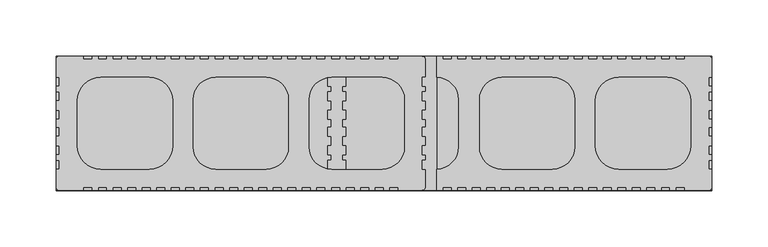
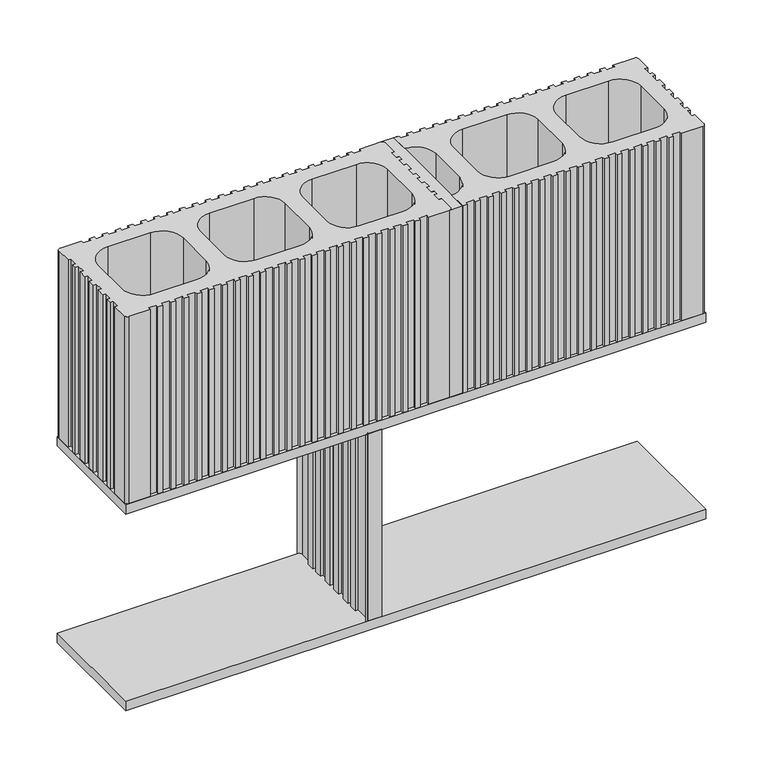
"""IFC4 building model written with IfcOpenShell, lengths in millimetres: plate geometry."""

from ifc_helpers import new_model, si_unit, point, frame, frame_2d, origin, place, context, project, spatial, polyline, circle_curve, trimmed, segment, composite_curve, outline, extrude, source, transform, mapped, element, save
from ifc_brep_helpers import plane_surface, revolved_surface, advanced_brep


def plate_25ba194d(model_context):
    return source(origin(), model_context, "Body", "SolidModel", [
        extrude(outline(composite_curve([segment(polyline([(311.0011936, 60.0004053), (332.5012625, 60.0004053)]), True, "CONTINUOUS"), segment(trimmed(circle_curve(frame_2d((332.5012625, 57.0003956)), 3.0000097), [point((332.5012625, 60.0004053))], [point((335.5012722, 57.0003956))], False, "CARTESIAN"), True, "CONTINUOUS"), segment(polyline([(335.5012722, 57.0003956), (335.5012722, 41.0003445), (332.5012625, 41.0003445), (332.5012625, 33.0003173), (335.5012722, 33.0003173), (335.5012722, 28.0003003), (332.5012625, 28.0003003), (332.5012625, 20.0002769), (335.5012722, 20.0002769), (335.5012722, 11.5002471), (332.5012625, 11.5002471), (332.5012625, 3.5002236), (335.5012722, 3.5002236), (335.5012722, -3.499802), (332.5012625, -3.499802), (332.5012625, -11.4998292), (335.5012722, -11.4998292), (335.5012722, -19.9998515), (332.5012625, -19.9998515), (332.5012625, -27.9998787), (335.5012722, -27.9998787), (335.5012722, -32.9998976), (332.5012625, -32.9998976), (332.5012625, -40.9999247), (335.5012722, -40.9999247), (335.5012722, -56.9999748)]), True, "CONTINUOUS"), segment(trimmed(circle_curve(frame_2d((332.5012671, -56.9999748)), 3.0000051), [point((335.5012722, -56.9999748))], [point((332.5012671, -59.9999799))], False, "CARTESIAN"), True, "CONTINUOUS"), segment(polyline([(332.5012671, -59.9999799), (311.0011936, -59.9999799), (311.0011936, -56.9999702), (303.0011683, -56.9999702), (303.0011683, -59.9999799), (298.0011495, -59.9999799), (298.0011495, -56.9999702), (290.0011261, -56.9999702), (290.0011261, -59.9999799), (285.0011072, -59.9999799), (285.0011072, -56.9999702), (277.0010838, -56.9999702), (277.0010838, -59.9999799), (272.0010649, -59.9999799), (272.0010649, -56.9999702), (264.0010377, -56.9999702), (264.0010377, -59.9999799), (259.0010264, -59.9999799), (259.0010264, -56.9999702), (251.0009992, -56.9999702), (251.0009992, -59.9999799), (246.0009803, -59.9999799), (246.0009803, -56.9999702), (238.0009606, -56.9999702), (238.0009606, -59.9999799), (233.0009418, -59.9999799), (233.0009418, -56.9999702), (225.0009146, -56.9999702), (225.0009146, -59.9999799), (220.0008958, -59.9999799), (220.0008958, -56.9999702), (212.000876, -56.9999702), (212.000876, -59.9999799), (207.0008572, -59.9999799), (207.0008572, -56.9999702), (199.00083, -56.9999702), (199.00083, -59.9999799), (194.0008186, -59.9999799), (194.0008186, -56.9999702), (186.0007915, -56.9999702), (186.0007915, -59.9999799), (181.0007801, -59.9999799), (181.0007801, -56.9999702), (173.0007529, -56.9999702), (173.0007529, -59.9999799), (168.0007266, -59.9999799), (168.0007266, -56.9999702), (160.0006994, -56.9999702), (160.0006994, -59.9999799), (155.000688, -59.9999799), (155.000688, -56.9999702), (147.0006609, -56.9999702), (147.0006609, -59.9999799), (142.0006495, -59.9999799), (142.0006495, -56.9999702), (134.0006223, -56.9999702), (134.0006223, -59.9999799), (129.0006109, -59.9999799), (129.0006109, -56.9999702), (121.0005838, -56.9999702), (121.0005838, -59.9999799), (116.0005575, -59.9999799), (116.0005575, -56.9999702), (108.0005303, -56.9999702), (108.0005303, -59.9999799), (103.0005189, -59.9999799), (103.0005189, -56.9999702), (95.0004917, -56.9999702), (95.0004917, -59.9999799), (90.0004803, -59.9999799), (90.0004803, -40.993729)]), True, "CONTINUOUS"), segment(trimmed(circle_curve(frame_2d((89.5004798, -20.9999152)), 20.0000648), [point((90.0004803, -40.993729))], [point((109.5005445, -20.9999152))], True, "CARTESIAN"), True, "CONTINUOUS"), segment(polyline([(109.5005445, -20.9999152), (109.5005445, 21.0003405)]), True, "CONTINUOUS"), segment(trimmed(circle_curve(frame_2d((89.5004798, 21.0003405)), 20.0000648), [point((109.5005445, 21.0003405))], [point((90.0004803, 40.9941543))], True, "CARTESIAN"), True, "CONTINUOUS"), segment(polyline([(90.0004803, 40.9941543), (90.0004803, 60.0004053), (95.0004917, 60.0004053), (95.0004917, 57.0003955), (103.0005189, 57.0003955), (103.0005189, 60.0004053), (108.0005303, 60.0004053), (108.0005303, 57.0003955), (116.0005575, 57.0003955), (116.0005575, 60.0004053), (121.0005838, 60.0004053), (121.0005838, 57.0003955), (129.0006109, 57.0003955), (129.0006109, 60.0004053), (134.0006223, 60.0004053), (134.0006223, 57.0003955), (142.0006495, 57.0003955), (142.0006495, 60.0004053), (147.0006609, 60.0004053), (147.0006609, 57.0003955), (155.000688, 57.0003955), (155.000688, 60.0004053), (160.0006994, 60.0004053), (160.0006994, 57.0003955), (168.0007266, 57.0003955), (168.0007266, 60.0004053), (173.0007529, 60.0004053), (173.0007529, 57.0003955), (181.0007801, 57.0003955), (181.0007801, 60.0004053), (186.0007915, 60.0004053), (186.0007915, 57.0003955), (194.0008186, 57.0003955), (194.0008186, 60.0004053), (199.00083, 60.0004053), (199.00083, 57.0003955), (207.0008572, 57.0003955), (207.0008572, 60.0004053), (212.000876, 60.0004053), (212.000876, 57.0003955), (220.0008958, 57.0003955), (220.0008958, 60.0004053), (225.0009146, 60.0004053), (225.0009146, 57.0003955), (233.0009418, 57.0003955), (233.0009418, 60.0004053), (238.0009606, 60.0004053), (238.0009606, 57.0003955), (246.0009803, 57.0003955), (246.0009803, 60.0004053), (251.0009992, 60.0004053), (251.0009992, 57.0003955), (259.0010264, 57.0003955), (259.0010264, 60.0004053), (264.0010377, 60.0004053), (264.0010377, 57.0003955), (272.0010649, 57.0003955), (272.0010649, 60.0004053), (277.0010838, 60.0004053), (277.0010838, 57.0003955), (285.0011072, 57.0003955), (285.0011072, 60.0004053), (290.0011261, 60.0004053), (290.0011261, 57.0003955), (298.0011495, 57.0003955), (298.0011495, 60.0004053), (303.0011683, 60.0004053), (303.0011683, 57.0003955), (311.0011936, 57.0003955), (311.0011936, 60.0004053)]), True, "CONTINUOUS")], self_intersect=False), holes=[composite_curve([segment(trimmed(circle_curve(frame_2d((295.5012722, 20.0004053)), 21.0), [point((316.5012722, 20.0004053))], [point((295.5012722, 41.0004053))], True, "CARTESIAN"), True, "CONTINUOUS"), segment(polyline([(295.5012722, 41.0004053), (252.5009201, 41.0004053)]), True, "CONTINUOUS"), segment(trimmed(circle_curve(frame_2d((252.5009201, 20.0004053)), 21.0), [point((252.5009201, 41.0004053))], [point((231.5009201, 20.0004053))], True, "CARTESIAN"), True, "CONTINUOUS"), segment(polyline([(231.5009201, 20.0004053), (231.5009201, -19.9999799)]), True, "CONTINUOUS"), segment(trimmed(circle_curve(frame_2d((252.5009201, -19.9999799)), 21.0), [point((231.5009201, -19.9999799))], [point((252.5009201, -40.9999799))], True, "CARTESIAN"), True, "CONTINUOUS"), segment(polyline([(252.5009201, -40.9999799), (295.5012722, -40.9999799)]), True, "CONTINUOUS"), segment(trimmed(circle_curve(frame_2d((295.5012722, -19.9999799)), 21.0), [point((295.5012722, -40.9999799))], [point((316.5012722, -19.9999799))], True, "CARTESIAN"), True, "CONTINUOUS"), segment(polyline([(316.5012722, -19.9999799), (316.5012722, 20.0004053)]), True, "CONTINUOUS")], self_intersect=False), composite_curve([segment(trimmed(circle_curve(frame_2d((193.0008473, 21.0003405)), 20.0000648), [point((213.0009121, 21.0003405))], [point((193.0008473, 41.0004053))], True, "CARTESIAN"), True, "CONTINUOUS"), segment(polyline([(193.0008473, 41.0004053), (148.0006247, 41.0004053)]), True, "CONTINUOUS"), segment(trimmed(circle_curve(frame_2d((148.0006247, 21.0003405)), 20.0000648), [point((148.0006247, 41.0004053))], [point((128.00056, 21.0003405))], True, "CARTESIAN"), True, "CONTINUOUS"), segment(polyline([(128.00056, 21.0003405), (128.00056, -20.9999152)]), True, "CONTINUOUS"), segment(trimmed(circle_curve(frame_2d((148.0006247, -20.9999152)), 20.0000648), [point((128.00056, -20.9999152))], [point((148.0006247, -40.9999799))], True, "CARTESIAN"), True, "CONTINUOUS"), segment(polyline([(148.0006247, -40.9999799), (193.0008473, -40.9999799)]), True, "CONTINUOUS"), segment(trimmed(circle_curve(frame_2d((193.0008473, -20.9999152)), 20.0000648), [point((193.0008473, -40.9999799))], [point((213.0009121, -20.9999152))], True, "CARTESIAN"), True, "CONTINUOUS"), segment(polyline([(213.0009121, -20.9999152), (213.0009121, 21.0003405)]), True, "CONTINUOUS")], self_intersect=False)]), frame((0.0, 0.0, 210.0), z_axis=(0.0, 0.0, 1.0), x_axis=(1.0, 0.0, 0.0)), (0.0, 0.0, 1.0), 200.0),
        extrude(outline(polyline([(335.499675, -59.9998788), (-249.9995197, -59.9998788), (-249.9995197, 59.9998815), (335.499675, 59.9998815), (335.499675, -59.9998788)])), frame((0.0, 0.0, -10.0), z_axis=(0.0, 0.0, 1.0), x_axis=(1.0, 0.0, 0.0)), (0.0, 0.0, 1.0), 10.0),
        advanced_brep(
        [(-4.4996846, -40.9999178, 200.0), (-4.4996846, -56.9998835, 200.0), (-7.4995723, -59.9998788, 200.0), (8.5002032, -59.9998788, 200.0), (5.5003154, -56.9998835, 200.0), (5.5003154, -40.9999178, 200.0), (8.5003304, -40.9999178, 200.0), (8.5003304, -32.9999326, 200.0), (5.5003154, -32.9999326, 200.0), (5.5003154, -28.0000895, 200.0), (8.5003304, -28.0000895, 200.0), (8.5003304, -19.9999605, 200.0), (5.5001999, -19.9999605, 200.0), (5.5001999, -11.5003509, 200.0), (8.5002096, -11.5003509, 200.0), (8.5002096, -3.5003274, 200.0), (5.5001999, -3.5003274, 200.0), (5.5001999, 3.4996982, 200.0), (8.5002096, 3.4996982, 200.0), (8.5002096, 11.4997254, 200.0), (5.5001999, 11.4997254, 200.0), (5.5001999, 19.9999578, 200.0), (8.5003304, 19.9999578, 200.0), (8.5003304, 27.999943, 200.0), (5.5003154, 27.999943, 200.0), (5.5003154, 32.9999355, 200.0), (8.5003304, 32.9999355, 200.0), (8.5003304, 40.9999207, 200.0), (5.5003154, 40.9999207, 200.0), (5.5003154, 56.9998835, 200.0), (8.5003304, 59.9998761, 200.0), (-7.4996995, 59.9998761, 200.0), (-4.4996846, 56.9998835, 200.0), (-4.4996846, 40.9999207, 200.0), (-7.4996995, 40.9999207, 200.0), (-7.4996995, 32.9999355, 200.0), (-4.4996846, 32.9999355, 200.0), (-4.4996846, 27.999943, 200.0), (-7.4996995, 27.999943, 200.0), (-7.4996995, 19.9999578, 200.0), (-4.4995633, 19.9999578, 200.0), (-4.4995633, 11.4997254, 200.0), (-7.499573, 11.4997254, 200.0), (-7.499573, 3.4996982, 200.0), (-4.4995633, 3.4996982, 200.0), (-4.4995633, -3.5003274, 200.0), (-7.499573, -3.5003274, 200.0), (-7.499573, -11.5003508, 200.0), (-4.4995633, -11.5003508, 200.0), (-4.4995633, -19.9999605, 200.0), (-7.4996995, -19.9999605, 200.0), (-7.4996995, -27.9999419, 200.0), (-4.4996846, -27.9999419, 200.0), (-4.4996846, -32.9999326, 200.0), (-7.4996995, -32.9999326, 200.0), (-7.4996995, -40.9999178, 200.0), (-4.4996846, -40.9999178, 0.0), (-7.4996995, -40.9999178, 0.0), (-7.4996995, -32.9999326, 0.0), (-4.4996846, -32.9999326, 0.0), (-4.4996846, -27.9999419, 0.0), (-7.4996995, -27.9999419, 0.0), (-7.4996995, -19.9999605, 0.0), (-4.4995633, -19.9999605, 0.0), (-4.4995633, -11.5003508, 0.0), (-7.499573, -11.5003508, 0.0), (-7.499573, -3.5003274, 0.0), (-4.4995633, -3.5003274, 0.0), (-4.4995633, 3.4996982, 0.0), (-7.499573, 3.4996982, 0.0), (-7.499573, 11.4997254, 0.0), (-4.4995633, 11.4997254, 0.0), (-4.4995633, 19.9999578, 0.0), (-7.4996995, 19.9999578, 0.0), (-7.4996995, 27.999943, 0.0), (-4.4996846, 27.999943, 0.0), (-4.4996846, 32.9999355, 0.0), (-7.4996995, 32.9999355, 0.0), (-7.4996995, 40.9999207, 0.0), (-4.4996846, 40.9999207, 0.0), (-4.4996846, 56.9998835, 0.0), (-7.4996995, 59.9998761, 0.0), (8.5003304, 59.9998761, 0.0), (5.5003154, 56.9998835, 0.0), (5.5003154, 40.9999207, 0.0), (8.5003304, 40.9999207, 0.0), (8.5003304, 32.9999355, 0.0), (5.5003154, 32.9999355, 0.0), (5.5003154, 27.999943, 0.0), (8.5003304, 27.999943, 0.0), (8.5003304, 19.9999578, 0.0), (5.5001999, 19.9999578, 0.0), (5.5001999, 11.4997254, 0.0), (8.5002096, 11.4997254, 0.0), (8.5002096, 3.4996982, 0.0), (5.5001999, 3.4996982, 0.0), (5.5001999, -3.5003274, 0.0), (8.5002096, -3.5003274, 0.0), (8.5002096, -11.5003509, 0.0), (5.5001999, -11.5003509, 0.0), (5.5001999, -19.9999605, 0.0), (8.5003304, -19.9999605, 0.0), (8.5003304, -28.0000895, 0.0), (5.5003154, -28.0000895, 0.0), (5.5003154, -32.9999326, 0.0), (8.5003304, -32.9999326, 0.0), (8.5003304, -40.9999178, 0.0), (5.5003154, -40.9999178, 0.0), (5.5003154, -56.9998835, 0.0), (8.5002032, -59.9998788, 0.0), (-7.4995723, -59.9998788, 0.0), (-4.4996846, -56.9998835, 0.0)],
        [
            (0, 1),
            (1, 2, circle_curve(frame((-7.4376524, -57.0619088, 200.0), z_axis=(0.0, 0.0, -1.0), x_axis=(1.0, 0.0, 0.0)), 2.9386225)),
            (2, 3),
            (3, 4, circle_curve(frame((8.4382833, -57.0619088, 200.0), z_axis=(0.0, 0.0, -1.0), x_axis=(1.0, 0.0, 0.0)), 2.9386225)),
            (4, 5),
            (5, 6),
            (6, 7),
            (7, 8),
            (8, 9),
            (9, 10),
            (10, 11),
            (11, 12),
            (12, 13),
            (13, 14),
            (14, 15),
            (15, 16),
            (16, 17),
            (17, 18),
            (18, 19),
            (19, 20),
            (20, 21),
            (21, 22),
            (22, 23),
            (23, 24),
            (24, 25),
            (25, 26),
            (26, 27),
            (27, 28),
            (28, 29),
            (29, 30, circle_curve(frame((8.4382833, 57.0619088, 200.0), z_axis=(0.0, 0.0, -1.0), x_axis=(1.0, 0.0, 0.0)), 2.9386225)),
            (30, 31),
            (31, 32, circle_curve(frame((-7.4376524, 57.0619088, 200.0), z_axis=(0.0, 0.0, -1.0), x_axis=(1.0, 0.0, 0.0)), 2.9386225)),
            (32, 33),
            (33, 34),
            (34, 35),
            (35, 36),
            (36, 37),
            (37, 38),
            (38, 39),
            (39, 40),
            (40, 41),
            (41, 42),
            (42, 43),
            (43, 44),
            (44, 45),
            (45, 46),
            (46, 47),
            (47, 48),
            (48, 49),
            (49, 50),
            (50, 51),
            (51, 52),
            (52, 53),
            (53, 54),
            (54, 55),
            (55, 0),
            (56, 57),
            (57, 58),
            (58, 59),
            (59, 60),
            (60, 61),
            (61, 62),
            (62, 63),
            (63, 64),
            (64, 65),
            (65, 66),
            (66, 67),
            (67, 68),
            (68, 69),
            (69, 70),
            (70, 71),
            (71, 72),
            (72, 73),
            (73, 74),
            (74, 75),
            (75, 76),
            (76, 77),
            (77, 78),
            (78, 79),
            (79, 80),
            (80, 81, circle_curve(frame((-7.4376524, 57.0619088, 0.0), z_axis=(0.0, 0.0, 1.0), x_axis=(1.0, 0.0, 0.0)), 2.9386225)),
            (81, 82),
            (82, 83, circle_curve(frame((8.4382833, 57.0619088, 0.0), z_axis=(0.0, 0.0, 1.0), x_axis=(1.0, 0.0, 0.0)), 2.9386225)),
            (83, 84),
            (84, 85),
            (85, 86),
            (86, 87),
            (87, 88),
            (88, 89),
            (89, 90),
            (90, 91),
            (91, 92),
            (92, 93),
            (93, 94),
            (94, 95),
            (95, 96),
            (96, 97),
            (97, 98),
            (98, 99),
            (99, 100),
            (100, 101),
            (101, 102),
            (102, 103),
            (103, 104),
            (104, 105),
            (105, 106),
            (106, 107),
            (107, 108),
            (108, 109, circle_curve(frame((8.4382833, -57.0619088, 0.0), z_axis=(0.0, 0.0, 1.0), x_axis=(1.0, 0.0, 0.0)), 2.9386225)),
            (109, 110),
            (110, 111, circle_curve(frame((-7.4376524, -57.0619088, 0.0), z_axis=(0.0, 0.0, 1.0), x_axis=(1.0, 0.0, 0.0)), 2.9386225)),
            (111, 56),
            (0, 56),
            (111, 1),
            (110, 2),
            (109, 3),
            (108, 4),
            (107, 5),
            (28, 84),
            (83, 29),
            (82, 30),
            (81, 31),
            (80, 32),
            (79, 33),
            (106, 6),
            (105, 7),
            (104, 8),
            (103, 9),
            (102, 10),
            (101, 11),
            (100, 12),
            (21, 91),
            (90, 22),
            (89, 23),
            (88, 24),
            (87, 25),
            (86, 26),
            (85, 27),
            (78, 34),
            (77, 35),
            (76, 36),
            (75, 37),
            (74, 38),
            (73, 39),
            (72, 40),
            (49, 63),
            (62, 50),
            (61, 51),
            (60, 52),
            (59, 53),
            (58, 54),
            (57, 55),
            (99, 13),
            (98, 14),
            (97, 15),
            (96, 16),
            (95, 17),
            (94, 18),
            (93, 19),
            (92, 20),
            (71, 41),
            (70, 42),
            (69, 43),
            (68, 44),
            (67, 45),
            (66, 46),
            (65, 47),
            (64, 48),
        ],
        [
            plane_surface(frame((-4.4996846, -56.9998835, 200.0), z_axis=(0.0, 0.0, 1.0), x_axis=(0.0, -1.0, 0.0))),
            plane_surface(frame((-4.4996846, -56.9998835, 0.0), z_axis=(0.0, 0.0, -1.0), x_axis=(0.0, 1.0, 0.0))),
            plane_surface(frame((-4.4996846, -40.9999178, 200.0), z_axis=(-1.0, 0.0, 0.0), x_axis=(0.0, 0.0, -1.0))),
            revolved_surface(polyline([(-4.4990299, -57.0619088, 0.0), (-4.4990299, -57.0619088, 200.0)]), (-7.4376524, -57.0619088, 0.0), (0.0, 0.0, -1.0)),
            plane_surface(frame((-7.4995723, -59.9998788, 200.0), z_axis=(0.0, -1.0, 0.0), x_axis=(0.0, 0.0, -1.0))),
            revolved_surface(polyline([(11.3769058, -57.0619088, 0.0), (11.3769058, -57.0619088, 200.0)]), (8.4382833, -57.0619088, 0.0), (0.0, 0.0, -1.0)),
            plane_surface(frame((5.5003154, -56.9998835, 200.0), z_axis=(1.0, 0.0, 0.0), x_axis=(0.0, 0.0, -1.0))),
            plane_surface(frame((5.5003154, 40.9999207, 200.0), z_axis=(1.0, -6.314536484107595e-12, 0.0), x_axis=(0.0, 0.0, -1.0))),
            revolved_surface(polyline([(11.3769058, 57.0619088, 0.0), (11.3769058, 57.0619088, 200.0)]), (8.4382833, 57.0619088, 0.0), (0.0, 0.0, -1.0)),
            plane_surface(frame((8.5003304, 59.9998761, 200.0), z_axis=(0.0, 1.0, 0.0), x_axis=(0.0, 0.0, -1.0))),
            revolved_surface(polyline([(-4.4990299, 57.0619088, 0.0), (-4.4990299, 57.0619088, 200.0)]), (-7.4376524, 57.0619088, 0.0), (0.0, 0.0, -1.0)),
            plane_surface(frame((-4.4996846, 56.9998835, 200.0), z_axis=(-1.0, 0.0, 0.0), x_axis=(0.0, 0.0, -1.0))),
            plane_surface(frame((5.5003154, -40.9999178, 200.0), z_axis=(0.0, -1.0, 0.0), x_axis=(0.0, 0.0, -1.0))),
            plane_surface(frame((8.5003304, -40.9999178, 200.0), z_axis=(1.0, 0.0, 0.0), x_axis=(0.0, 0.0, -1.0))),
            plane_surface(frame((8.5003304, -32.9999326, 200.0), z_axis=(0.0, 1.0, 0.0), x_axis=(0.0, 0.0, -1.0))),
            plane_surface(frame((5.5003154, -32.9999326, 200.0), z_axis=(1.0, 0.0, 0.0), x_axis=(0.0, 0.0, -1.0))),
            plane_surface(frame((5.5003154, -28.0000895, 200.0), z_axis=(0.0, -1.0, 0.0), x_axis=(0.0, 0.0, -1.0))),
            plane_surface(frame((8.5003304, -28.0000895, 200.0), z_axis=(1.0, 0.0, 0.0), x_axis=(0.0, 0.0, -1.0))),
            plane_surface(frame((8.5003304, -19.9999605, 200.0), z_axis=(0.0, 1.0, 0.0), x_axis=(0.0, 0.0, -1.0))),
            plane_surface(frame((5.5001999, 19.9999578, 200.0), z_axis=(0.0, -1.0, 0.0), x_axis=(0.0, 0.0, -1.0))),
            plane_surface(frame((8.5003304, 19.9999578, 200.0), z_axis=(1.0, 0.0, 0.0), x_axis=(0.0, 0.0, -1.0))),
            plane_surface(frame((8.5003304, 27.999943, 200.0), z_axis=(0.0, 1.0, 0.0), x_axis=(0.0, 0.0, -1.0))),
            plane_surface(frame((5.5003154, 27.999943, 200.0), z_axis=(1.0, 0.0, 0.0), x_axis=(0.0, 0.0, -1.0))),
            plane_surface(frame((5.5003154, 32.9999355, 200.0), z_axis=(0.0, -1.0, 0.0), x_axis=(0.0, 0.0, -1.0))),
            plane_surface(frame((8.5003304, 32.9999355, 200.0), z_axis=(1.0, 0.0, 0.0), x_axis=(0.0, 0.0, -1.0))),
            plane_surface(frame((8.5003304, 40.9999207, 200.0), z_axis=(0.0, 1.0, 0.0), x_axis=(0.0, 0.0, -1.0))),
            plane_surface(frame((-4.4996846, 40.9999207, 200.0), z_axis=(0.0, 1.0, 0.0), x_axis=(0.0, 0.0, -1.0))),
            plane_surface(frame((-7.4996995, 40.9999207, 200.0), z_axis=(-1.0, 0.0, 0.0), x_axis=(0.0, 0.0, -1.0))),
            plane_surface(frame((-7.4996995, 32.9999355, 200.0), z_axis=(0.0, -1.0, 0.0), x_axis=(0.0, 0.0, -1.0))),
            plane_surface(frame((-4.4996846, 32.9999355, 200.0), z_axis=(-1.0, 0.0, 0.0), x_axis=(0.0, 0.0, -1.0))),
            plane_surface(frame((-4.4996846, 27.999943, 200.0), z_axis=(0.0, 1.0, 0.0), x_axis=(0.0, 0.0, -1.0))),
            plane_surface(frame((-7.4996995, 27.999943, 200.0), z_axis=(-1.0, 0.0, 0.0), x_axis=(0.0, 0.0, -1.0))),
            plane_surface(frame((-7.4996995, 19.9999578, 200.0), z_axis=(0.0, -1.0, 0.0), x_axis=(0.0, 0.0, -1.0))),
            plane_surface(frame((-4.4995633, -19.9999605, 200.0), z_axis=(0.0, 1.0, 0.0), x_axis=(0.0, 0.0, -1.0))),
            plane_surface(frame((-7.4996995, -19.9999605, 200.0), z_axis=(-1.0, 0.0, 0.0), x_axis=(0.0, 0.0, -1.0))),
            plane_surface(frame((-7.4996995, -27.9999419, 200.0), z_axis=(0.0, -1.0, 0.0), x_axis=(0.0, 0.0, -1.0))),
            plane_surface(frame((-4.4996846, -27.9999419, 200.0), z_axis=(-1.0, 0.0, 0.0), x_axis=(0.0, 0.0, -1.0))),
            plane_surface(frame((-4.4996846, -32.9999326, 200.0), z_axis=(0.0, 1.0, 0.0), x_axis=(0.0, 0.0, -1.0))),
            plane_surface(frame((-7.4996995, -32.9999326, 200.0), z_axis=(-1.0, 0.0, 0.0), x_axis=(0.0, 0.0, -1.0))),
            plane_surface(frame((-7.4996995, -40.9999178, 200.0), z_axis=(0.0, -1.0, 0.0), x_axis=(0.0, 0.0, -1.0))),
            plane_surface(frame((5.5001999, -19.9999605, 200.0), z_axis=(1.0, 0.0, 0.0), x_axis=(0.0, 0.0, -1.0))),
            plane_surface(frame((5.5001999, -11.5003509, 200.0), z_axis=(0.0, -1.0, 0.0), x_axis=(0.0, 0.0, -1.0))),
            plane_surface(frame((8.5002096, -11.5003509, 200.0), z_axis=(1.0, 0.0, 0.0), x_axis=(0.0, 0.0, -1.0))),
            plane_surface(frame((8.5002096, -3.5003274, 200.0), z_axis=(0.0, 1.0, 0.0), x_axis=(0.0, 0.0, -1.0))),
            plane_surface(frame((5.5001999, -3.5003274, 200.0), z_axis=(1.0, 0.0, 0.0), x_axis=(0.0, 0.0, -1.0))),
            plane_surface(frame((5.5001999, 3.4996982, 200.0), z_axis=(0.0, -1.0, 0.0), x_axis=(0.0, 0.0, -1.0))),
            plane_surface(frame((8.5002096, 3.4996982, 200.0), z_axis=(1.0, 0.0, 0.0), x_axis=(0.0, 0.0, -1.0))),
            plane_surface(frame((8.5002096, 11.4997254, 200.0), z_axis=(0.0, 1.0, 0.0), x_axis=(0.0, 0.0, -1.0))),
            plane_surface(frame((5.5001999, 11.4997254, 200.0), z_axis=(1.0, 0.0, 0.0), x_axis=(0.0, 0.0, -1.0))),
            plane_surface(frame((-4.4995633, 19.9999578, 200.0), z_axis=(-1.0, 0.0, 0.0), x_axis=(0.0, 0.0, -1.0))),
            plane_surface(frame((-4.4995633, 11.4997254, 200.0), z_axis=(0.0, 1.0, 0.0), x_axis=(0.0, 0.0, -1.0))),
            plane_surface(frame((-7.499573, 11.4997254, 200.0), z_axis=(-1.0, 0.0, 0.0), x_axis=(0.0, 0.0, -1.0))),
            plane_surface(frame((-7.499573, 3.4996982, 200.0), z_axis=(0.0, -1.0, 0.0), x_axis=(0.0, 0.0, -1.0))),
            plane_surface(frame((-4.4995633, 3.4996982, 200.0), z_axis=(-1.0, 0.0, 0.0), x_axis=(0.0, 0.0, -1.0))),
            plane_surface(frame((-4.4995633, -3.5003274, 200.0), z_axis=(0.0, 1.0, 0.0), x_axis=(0.0, 0.0, -1.0))),
            plane_surface(frame((-7.499573, -3.5003274, 200.0), z_axis=(-1.0, 0.0, 0.0), x_axis=(0.0, 0.0, -1.0))),
            plane_surface(frame((-7.499573, -11.5003508, 200.0), z_axis=(0.0, -1.0, 0.0), x_axis=(0.0, 0.0, -1.0))),
            plane_surface(frame((-4.4995633, -11.5003508, 200.0), z_axis=(-1.0, 0.0, 0.0), x_axis=(0.0, 0.0, -1.0))),
        ],
        [
            (0, [[1, 2, 3, 4, 5, 6, 7, 8, 9, 10, 11, 12, 13, 14, 15, 16, 17, 18, 19, 20, 21, 22, 23, 24, 25, 26, 27, 28, 29, 30, 31, 32, 33, 34, 35, 36, 37, 38, 39, 40, 41, 42, 43, 44, 45, 46, 47, 48, 49, 50, 51, 52, 53, 54, 55, 56]]),
            (1, [[57, 58, 59, 60, 61, 62, 63, 64, 65, 66, 67, 68, 69, 70, 71, 72, 73, 74, 75, 76, 77, 78, 79, 80, 81, 82, 83, 84, 85, 86, 87, 88, 89, 90, 91, 92, 93, 94, 95, 96, 97, 98, 99, 100, 101, 102, 103, 104, 105, 106, 107, 108, 109, 110, 111, 112]]),
            (2, [[-1, 113, -112, 114]]),
            (3, [[-2, -114, -111, 115]]),
            (4, [[-3, -115, -110, 116]]),
            (5, [[-4, -116, -109, 117]]),
            (6, [[-5, -117, -108, 118]]),
            (7, [[-29, 119, -84, 120]]),
            (8, [[-30, -120, -83, 121]]),
            (9, [[-31, -121, -82, 122]]),
            (10, [[-32, -122, -81, 123]]),
            (11, [[-33, -123, -80, 124]]),
            (12, [[-6, -118, -107, 125]]),
            (13, [[-7, -125, -106, 126]]),
            (14, [[-8, -126, -105, 127]]),
            (15, [[-9, -127, -104, 128]]),
            (16, [[-10, -128, -103, 129]]),
            (17, [[-11, -129, -102, 130]]),
            (18, [[-12, -130, -101, 131]]),
            (19, [[-22, 132, -91, 133]]),
            (20, [[-23, -133, -90, 134]]),
            (21, [[-24, -134, -89, 135]]),
            (22, [[-25, -135, -88, 136]]),
            (23, [[-26, -136, -87, 137]]),
            (24, [[-27, -137, -86, 138]]),
            (25, [[-28, -138, -85, -119]]),
            (26, [[-34, -124, -79, 139]]),
            (27, [[-35, -139, -78, 140]]),
            (28, [[-36, -140, -77, 141]]),
            (29, [[-37, -141, -76, 142]]),
            (30, [[-38, -142, -75, 143]]),
            (31, [[-39, -143, -74, 144]]),
            (32, [[-40, -144, -73, 145]]),
            (33, [[-50, 146, -63, 147]]),
            (34, [[-51, -147, -62, 148]]),
            (35, [[-52, -148, -61, 149]]),
            (36, [[-53, -149, -60, 150]]),
            (37, [[-54, -150, -59, 151]]),
            (38, [[-55, -151, -58, 152]]),
            (39, [[-56, -152, -57, -113]]),
            (40, [[-13, -131, -100, 153]]),
            (41, [[-14, -153, -99, 154]]),
            (42, [[-15, -154, -98, 155]]),
            (43, [[-16, -155, -97, 156]]),
            (44, [[-17, -156, -96, 157]]),
            (45, [[-18, -157, -95, 158]]),
            (46, [[-19, -158, -94, 159]]),
            (47, [[-20, -159, -93, 160]]),
            (48, [[-21, -160, -92, -132]]),
            (49, [[-41, -145, -72, 161]]),
            (50, [[-42, -161, -71, 162]]),
            (51, [[-43, -162, -70, 163]]),
            (52, [[-44, -163, -69, 164]]),
            (53, [[-45, -164, -68, 165]]),
            (54, [[-46, -165, -67, 166]]),
            (55, [[-47, -166, -66, 167]]),
            (56, [[-48, -167, -65, 168]]),
            (57, [[-49, -168, -64, -146]]),
        ],
    ),
        extrude(outline(polyline([(-249.9995197, 59.9998801), (335.5012722, 59.9998801), (335.5012722, -59.9998788), (-249.9995197, -59.9998788), (-249.9995197, 59.9998801)]), holes=[polyline([(325.5012722, 44.9999121), (-239.9995197, 44.9999121), (-239.9995197, -44.9999108), (325.5012722, -44.9999108), (325.5012722, 44.9999121)])]), frame((0.0, 0.0, 200.0), z_axis=(0.0, 0.0, 1.0), x_axis=(1.0, 0.0, 0.0)), (0.0, 0.0, 1.0), 10.0),
        advanced_brep(
        [(89.9998399, -56.9998849, 410.0), (89.9998399, 56.9998822, 410.0), (92.9995342, 59.9998815, 410.0), (77.0001459, 59.9998815, 410.0), (79.9998399, 56.9998822, 410.0), (79.9998399, 40.9999193, 410.0), (76.999825, 40.9999193, 410.0), (76.999825, 32.9999342, 410.0), (79.9998399, 32.9999342, 410.0), (79.9998399, 27.9999416, 410.0), (76.999825, 27.9999416, 410.0), (76.999825, 19.9999565, 410.0), (80.0015527, 19.9999565, 410.0), (80.0015527, 11.5002545, 410.0), (77.0015429, 11.5002545, 410.0), (77.0015429, 3.5002273, 410.0), (80.0015527, 3.5002273, 410.0), (80.0015527, -3.4997983, 410.0), (77.0015429, -3.4997983, 410.0), (77.0015429, -11.4998217, 410.0), (80.0015527, -11.4998217, 410.0), (80.0015527, -19.9999618, 410.0), (76.999825, -19.9999618, 410.0), (76.999825, -27.9999433, 410.0), (79.9998399, -27.9999433, 410.0), (79.9998399, -32.999934, 410.0), (76.999825, -32.999934, 410.0), (76.999825, -40.9999191, 410.0), (79.9998399, -40.9999191, 410.0), (79.9998399, -56.9998849, 410.0), (76.9998878, -59.9998788, 410.0), (92.999792, -59.9998788, 410.0), (89.9998399, -56.9998849, 210.0), (92.999792, -59.9998788, 210.0), (76.9998878, -59.9998788, 210.0), (79.9998399, -56.9998849, 210.0), (79.9998399, -40.9999191, 210.0), (76.999825, -40.9999191, 210.0), (76.999825, -32.999934, 210.0), (79.9998399, -32.999934, 210.0), (79.9998399, -27.9999433, 210.0), (76.999825, -27.9999433, 210.0), (76.999825, -19.9999618, 210.0), (80.0015527, -19.9999618, 210.0), (80.0015527, -11.4998217, 210.0), (77.0015429, -11.4998217, 210.0), (77.0015429, -3.4997983, 210.0), (80.0015527, -3.4997983, 210.0), (80.0015527, 3.5002273, 210.0), (77.0015429, 3.5002273, 210.0), (77.0015429, 11.5002545, 210.0), (80.0015527, 11.5002545, 210.0), (80.0015527, 19.9999565, 210.0), (76.999825, 19.9999565, 210.0), (76.999825, 27.9999416, 210.0), (79.9998399, 27.9999416, 210.0), (79.9998399, 32.9999342, 210.0), (76.999825, 32.9999342, 210.0), (76.999825, 40.9999193, 210.0), (79.9998399, 40.9999193, 210.0), (79.9998399, 56.9998822, 210.0), (77.0001459, 59.9998815, 210.0), (92.9995342, 59.9998815, 210.0), (89.9998399, 56.9998822, 210.0)],
        [
            (0, 1),
            (1, 2, circle_curve(frame((92.9378077, 57.0619074, 410.0), z_axis=(0.0, 0.0, -1.0), x_axis=(0.0, 1.0, 0.0)), 2.9386225)),
            (2, 3),
            (3, 4, circle_curve(frame((77.0618721, 57.0619074, 410.0), z_axis=(0.0, 0.0, -1.0), x_axis=(0.0, 1.0, 0.0)), 2.9386225)),
            (4, 5),
            (5, 6),
            (6, 7),
            (7, 8),
            (8, 9),
            (9, 10),
            (10, 11),
            (11, 12),
            (12, 13),
            (13, 14),
            (14, 15),
            (15, 16),
            (16, 17),
            (17, 18),
            (18, 19),
            (19, 20),
            (20, 21),
            (21, 22),
            (22, 23),
            (23, 24),
            (24, 25),
            (25, 26),
            (26, 27),
            (27, 28),
            (28, 29),
            (29, 30, circle_curve(frame((77.0618721, -57.0619101, 410.0), z_axis=(0.0, 0.0, -1.0), x_axis=(0.0, 1.0, 0.0)), 2.9386225)),
            (30, 31),
            (31, 0, circle_curve(frame((92.9378077, -57.0619101, 410.0), z_axis=(0.0, 0.0, -1.0), x_axis=(0.0, 1.0, 0.0)), 2.9386225)),
            (32, 33, circle_curve(frame((92.9378077, -57.0619101, 210.0), z_axis=(0.0, 0.0, 1.0), x_axis=(0.0, 1.0, 0.0)), 2.9386225)),
            (33, 34),
            (34, 35, circle_curve(frame((77.0618721, -57.0619101, 210.0), z_axis=(0.0, 0.0, 1.0), x_axis=(0.0, 1.0, 0.0)), 2.9386225)),
            (35, 36),
            (36, 37),
            (37, 38),
            (38, 39),
            (39, 40),
            (40, 41),
            (41, 42),
            (42, 43),
            (43, 44),
            (44, 45),
            (45, 46),
            (46, 47),
            (47, 48),
            (48, 49),
            (49, 50),
            (50, 51),
            (51, 52),
            (52, 53),
            (53, 54),
            (54, 55),
            (55, 56),
            (56, 57),
            (57, 58),
            (58, 59),
            (59, 60),
            (60, 61, circle_curve(frame((77.0618721, 57.0619074, 210.0), z_axis=(0.0, 0.0, 1.0), x_axis=(0.0, 1.0, 0.0)), 2.9386225)),
            (61, 62),
            (62, 63, circle_curve(frame((92.9378077, 57.0619074, 210.0), z_axis=(0.0, 0.0, 1.0), x_axis=(0.0, 1.0, 0.0)), 2.9386225)),
            (63, 32),
            (0, 32),
            (63, 1),
            (2, 62),
            (61, 3),
            (4, 60),
            (59, 5),
            (28, 36),
            (35, 29),
            (30, 34),
            (33, 31),
            (58, 6),
            (57, 7),
            (56, 8),
            (55, 9),
            (54, 10),
            (53, 11),
            (52, 12),
            (21, 43),
            (42, 22),
            (41, 23),
            (40, 24),
            (39, 25),
            (38, 26),
            (37, 27),
            (51, 13),
            (50, 14),
            (49, 15),
            (48, 16),
            (47, 17),
            (46, 18),
            (45, 19),
            (44, 20),
        ],
        [
            plane_surface(frame((89.9998399, 56.9998822, 410.0), z_axis=(0.0, 0.0, 1.0), x_axis=(0.0, 1.0, 0.0))),
            plane_surface(frame((89.9998399, 56.9998822, 210.0), z_axis=(0.0, 0.0, -1.0), x_axis=(0.0, -1.0, 0.0))),
            plane_surface(frame((89.9998399, -56.9998849, 410.0), z_axis=(1.0, 0.0, 0.0), x_axis=(0.0, 0.0, -1.0))),
            plane_surface(frame((92.9995342, 59.9998815, 410.0), z_axis=(0.0, 1.0, 0.0), x_axis=(0.0, 0.0, -1.0))),
            plane_surface(frame((79.9998399, 56.9998822, 410.0), z_axis=(-1.0, 0.0, 0.0), x_axis=(0.0, 0.0, -1.0))),
            plane_surface(frame((79.9998399, -40.9999191, 410.0), z_axis=(-1.0, 0.0, 0.0), x_axis=(0.0, 0.0, -1.0))),
            plane_surface(frame((76.9998878, -59.9998788, 410.0), z_axis=(0.0, -1.0, 0.0), x_axis=(0.0, 0.0, -1.0))),
            revolved_surface(polyline([(92.9378077, 60.000529900000004, 210.0), (92.9378077, 60.000529900000004, 410.0)]), (92.9378077, 57.0619074, 210.0), (0.0, 0.0, -1.0)),
            revolved_surface(polyline([(77.0618721, 60.000529900000004, 210.0), (77.0618721, 60.000529900000004, 410.0)]), (77.0618721, 57.0619074, 210.0), (0.0, 0.0, -1.0)),
            revolved_surface(polyline([(77.0618721, -54.1232876, 210.0), (77.0618721, -54.1232876, 410.0)]), (77.0618721, -57.0619101, 210.0), (0.0, 0.0, -1.0)),
            revolved_surface(polyline([(92.9378077, -54.1232876, 210.0), (92.9378077, -54.1232876, 410.0)]), (92.9378077, -57.0619101, 210.0), (0.0, 0.0, -1.0)),
            plane_surface(frame((79.9998399, 40.9999193, 410.0), z_axis=(0.0, 1.0, 0.0), x_axis=(0.0, 0.0, -1.0))),
            plane_surface(frame((76.999825, 40.9999193, 410.0), z_axis=(-1.0, 0.0, 0.0), x_axis=(0.0, 0.0, -1.0))),
            plane_surface(frame((76.999825, 32.9999342, 410.0), z_axis=(0.0, -1.0, 0.0), x_axis=(0.0, 0.0, -1.0))),
            plane_surface(frame((79.9998399, 32.9999342, 410.0), z_axis=(-1.0, 0.0, 0.0), x_axis=(0.0, 0.0, -1.0))),
            plane_surface(frame((79.9998399, 27.9999416, 410.0), z_axis=(0.0, 1.0, 0.0), x_axis=(0.0, 0.0, -1.0))),
            plane_surface(frame((76.999825, 27.9999416, 410.0), z_axis=(-1.0, 0.0, 0.0), x_axis=(0.0, 0.0, -1.0))),
            plane_surface(frame((76.999825, 19.9999565, 410.0), z_axis=(0.0, -1.0, 0.0), x_axis=(0.0, 0.0, -1.0))),
            plane_surface(frame((80.0015527, -19.9999618, 410.0), z_axis=(0.0, 1.0, 0.0), x_axis=(0.0, 0.0, -1.0))),
            plane_surface(frame((76.999825, -19.9999618, 410.0), z_axis=(-1.0, 0.0, 0.0), x_axis=(0.0, 0.0, -1.0))),
            plane_surface(frame((76.999825, -27.9999433, 410.0), z_axis=(0.0, -1.0, 0.0), x_axis=(0.0, 0.0, -1.0))),
            plane_surface(frame((79.9998399, -27.9999433, 410.0), z_axis=(-1.0, 0.0, 0.0), x_axis=(0.0, 0.0, -1.0))),
            plane_surface(frame((79.9998399, -32.999934, 410.0), z_axis=(0.0, 1.0, 0.0), x_axis=(0.0, 0.0, -1.0))),
            plane_surface(frame((76.999825, -32.999934, 410.0), z_axis=(-1.0, 0.0, 0.0), x_axis=(0.0, 0.0, -1.0))),
            plane_surface(frame((76.999825, -40.9999191, 410.0), z_axis=(0.0, -1.0, 0.0), x_axis=(0.0, 0.0, -1.0))),
            plane_surface(frame((80.0015527, 19.9999565, 410.0), z_axis=(-1.0, 0.0, 0.0), x_axis=(0.0, 0.0, -1.0))),
            plane_surface(frame((80.0015527, 11.5002545, 410.0), z_axis=(0.0, 1.0, 0.0), x_axis=(0.0, 0.0, -1.0))),
            plane_surface(frame((77.0015429, 11.5002545, 410.0), z_axis=(-1.0, 0.0, 0.0), x_axis=(0.0, 0.0, -1.0))),
            plane_surface(frame((77.0015429, 3.5002273, 410.0), z_axis=(0.0, -1.0, 0.0), x_axis=(0.0, 0.0, -1.0))),
            plane_surface(frame((80.0015527, 3.5002273, 410.0), z_axis=(-1.0, 0.0, 0.0), x_axis=(0.0, 0.0, -1.0))),
            plane_surface(frame((80.0015527, -3.4997983, 410.0), z_axis=(0.0, 1.0, 0.0), x_axis=(0.0, 0.0, -1.0))),
            plane_surface(frame((77.0015429, -3.4997983, 410.0), z_axis=(-1.0, 0.0, 0.0), x_axis=(0.0, 0.0, -1.0))),
            plane_surface(frame((77.0015429, -11.4998217, 410.0), z_axis=(0.0, -1.0, 0.0), x_axis=(0.0, 0.0, -1.0))),
            plane_surface(frame((80.0015527, -11.4998217, 410.0), z_axis=(-1.0, 0.0, 0.0), x_axis=(0.0, 0.0, -1.0))),
        ],
        [
            (0, [[1, 2, 3, 4, 5, 6, 7, 8, 9, 10, 11, 12, 13, 14, 15, 16, 17, 18, 19, 20, 21, 22, 23, 24, 25, 26, 27, 28, 29, 30, 31, 32]]),
            (1, [[33, 34, 35, 36, 37, 38, 39, 40, 41, 42, 43, 44, 45, 46, 47, 48, 49, 50, 51, 52, 53, 54, 55, 56, 57, 58, 59, 60, 61, 62, 63, 64]]),
            (2, [[-1, 65, -64, 66]]),
            (3, [[-3, 67, -62, 68]]),
            (4, [[-5, 69, -60, 70]]),
            (5, [[-29, 71, -36, 72]]),
            (6, [[-31, 73, -34, 74]]),
            (7, [[-2, -66, -63, -67]]),
            (8, [[-4, -68, -61, -69]]),
            (9, [[-30, -72, -35, -73]]),
            (10, [[-32, -74, -33, -65]]),
            (11, [[-6, -70, -59, 75]]),
            (12, [[-7, -75, -58, 76]]),
            (13, [[-8, -76, -57, 77]]),
            (14, [[-9, -77, -56, 78]]),
            (15, [[-10, -78, -55, 79]]),
            (16, [[-11, -79, -54, 80]]),
            (17, [[-12, -80, -53, 81]]),
            (18, [[-22, 82, -43, 83]]),
            (19, [[-23, -83, -42, 84]]),
            (20, [[-24, -84, -41, 85]]),
            (21, [[-25, -85, -40, 86]]),
            (22, [[-26, -86, -39, 87]]),
            (23, [[-27, -87, -38, 88]]),
            (24, [[-28, -88, -37, -71]]),
            (25, [[-13, -81, -52, 89]]),
            (26, [[-14, -89, -51, 90]]),
            (27, [[-15, -90, -50, 91]]),
            (28, [[-16, -91, -49, 92]]),
            (29, [[-17, -92, -48, 93]]),
            (30, [[-18, -93, -47, 94]]),
            (31, [[-19, -94, -46, 95]]),
            (32, [[-20, -95, -45, 96]]),
            (33, [[-21, -96, -44, -82]]),
        ],
    ),
        extrude(outline(composite_curve([segment(polyline([(-225.4994411, -59.9999799), (-246.99951, -59.9999799)]), True, "CONTINUOUS"), segment(trimmed(circle_curve(frame_2d((-246.99951, -56.9999702)), 3.0000097), [point((-246.99951, -59.9999799))], [point((-249.9995197, -56.9999702))], False, "CARTESIAN"), True, "CONTINUOUS"), segment(polyline([(-249.9995197, -56.9999702), (-249.9995197, -40.9999191), (-246.9995099, -40.9999191), (-246.9995099, -32.999892), (-249.9995197, -32.999892), (-249.9995197, -27.999875), (-246.9995099, -27.999875), (-246.9995099, -19.9998515), (-249.9995197, -19.9998515), (-249.9995197, -11.4998217), (-246.9995099, -11.4998217), (-246.9995099, -3.4997983), (-249.9995197, -3.4997983), (-249.9995197, 3.5002273), (-246.9995099, 3.5002273), (-246.9995099, 11.5002545), (-249.9995197, 11.5002545), (-249.9995197, 20.0002769), (-246.9995099, 20.0002769), (-246.9995099, 28.000304), (-249.9995197, 28.000304), (-249.9995197, 33.0003229), (-246.9995099, 33.0003229), (-246.9995099, 41.00035), (-249.9995197, 41.00035), (-249.9995197, 57.0004001)]), True, "CONTINUOUS"), segment(trimmed(circle_curve(frame_2d((-246.9995146, 57.0004001)), 3.0000051), [point((-249.9995197, 57.0004001))], [point((-246.9995146, 60.0004053))], False, "CARTESIAN"), True, "CONTINUOUS"), segment(polyline([(-246.9995146, 60.0004053), (-225.4994411, 60.0004053), (-225.4994411, 57.0003955), (-217.4994158, 57.0003955), (-217.4994158, 60.0004053), (-212.499397, 60.0004053), (-212.499397, 57.0003955), (-204.4993735, 57.0003955), (-204.4993735, 60.0004053), (-199.4993547, 60.0004053), (-199.4993547, 57.0003955), (-191.4993312, 57.0003955), (-191.4993312, 60.0004053), (-186.4993124, 60.0004053), (-186.4993124, 57.0003955), (-178.4992852, 57.0003955), (-178.4992852, 60.0004053), (-173.4992738, 60.0004053), (-173.4992738, 57.0003955), (-165.4992467, 57.0003955), (-165.4992467, 60.0004053), (-160.4992278, 60.0004053), (-160.4992278, 57.0003955), (-152.4992081, 57.0003955), (-152.4992081, 60.0004053), (-147.4991893, 60.0004053), (-147.4991893, 57.0003955), (-139.4991621, 57.0003955), (-139.4991621, 60.0004053), (-134.4991432, 60.0004053), (-134.4991432, 57.0003955), (-126.4991235, 57.0003955), (-126.4991235, 60.0004053), (-121.4991047, 60.0004053), (-121.4991047, 57.0003955), (-113.4990775, 57.0003955), (-113.4990775, 60.0004053), (-108.4990661, 60.0004053), (-108.4990661, 57.0003955), (-100.4990389, 57.0003955), (-100.4990389, 60.0004053), (-95.4990275, 60.0004053), (-95.4990275, 57.0003955), (-87.4990004, 57.0003955), (-87.4990004, 60.0004053), (-82.4989741, 60.0004053), (-82.4989741, 57.0003955), (-74.4989469, 57.0003955), (-74.4989469, 60.0004053), (-69.4989355, 60.0004053), (-69.4989355, 57.0003955), (-61.4989083, 57.0003955), (-61.4989083, 60.0004053), (-56.498897, 60.0004053), (-56.498897, 57.0003955), (-48.4988698, 57.0003955), (-48.4988698, 60.0004053), (-43.4988584, 60.0004053), (-43.4988584, 57.0003955), (-35.4988312, 57.0003955), (-35.4988312, 60.0004053), (-30.4988049, 60.0004053), (-30.4988049, 57.0003955), (-22.4987778, 57.0003955), (-22.4987778, 60.0004053), (-17.4987664, 60.0004053), (-17.4987664, 57.0003955), (-9.4987392, 57.0003955), (-9.4987392, 60.0004053), (-4.4987278, 60.0004053), (-4.4987278, 57.0003955), (3.5013143, 57.0003955), (3.5013143, 60.0004053), (8.5013257, 60.0004053), (8.5013257, 57.0003955), (16.5013379, 57.0003955), (16.5013379, 60.0004053), (21.5013493, 60.0004053), (21.5013493, 57.0003955), (29.5013914, 57.0003955), (29.5013914, 60.0004053), (34.5014028, 60.0004053), (34.5014028, 57.0003955), (42.5014151, 57.0003955), (42.5014151, 60.0004053), (47.5014563, 60.0004053), (47.5014563, 57.0003955), (55.5014685, 57.0003955), (55.5014685, 60.0004053), (77.0015475, 60.0004053)]), True, "CONTINUOUS"), segment(trimmed(circle_curve(frame_2d((77.0015475, 57.0004001)), 3.0000051), [point((77.0015475, 60.0004053))], [point((80.0015527, 57.0004001))], False, "CARTESIAN"), True, "CONTINUOUS"), segment(polyline([(80.0015527, 57.0004001), (80.0015527, 41.00035), (77.0015429, 41.00035), (77.0015429, 33.0003229), (80.0015527, 33.0003229), (80.0015527, 28.000304), (77.0015429, 28.000304), (77.0015429, 20.0002769), (80.0015527, 20.0002769), (80.0015527, 11.5002545), (77.0015429, 11.5002545), (77.0015429, 3.5002273), (80.0015527, 3.5002273), (80.0015527, -3.4997983), (77.0015429, -3.4997983), (77.0015429, -11.4998217), (80.0015527, -11.4998217), (80.0015527, -19.9998515), (77.0015429, -19.9998515), (77.0015429, -27.999875), (80.0015527, -27.999875), (80.0015527, -32.999892), (77.0015429, -32.999892), (77.0015429, -40.9999191), (80.0015527, -40.9999191), (80.0015526, -56.9999702)]), True, "CONTINUOUS"), segment(trimmed(circle_curve(frame_2d((77.0015429, -56.9999702)), 3.0000097), [point((80.0015526, -56.9999702))], [point((77.0015429, -59.9999799))], False, "CARTESIAN"), True, "CONTINUOUS"), segment(polyline([(77.0015429, -59.9999799), (55.5014685, -59.9999799), (55.5014685, -56.9999702), (47.5014563, -56.9999702), (47.5014563, -59.9999799), (42.5014151, -59.9999799), (42.5014151, -56.9999702), (34.5014028, -56.9999702), (34.5014028, -59.9999799), (29.5013914, -59.9999799), (29.5013914, -56.9999702), (21.5013493, -56.9999702), (21.5013493, -59.9999799), (16.5013379, -59.9999799), (16.5013379, -56.9999702), (8.5013257, -56.9999702), (8.5013257, -59.9999799), (3.5013143, -59.9999799), (3.5013143, -56.9999702), (-4.4987278, -56.9999702), (-4.4987278, -59.9999799), (-9.4987392, -59.9999799), (-9.4987392, -56.9999702), (-17.4987664, -56.9999702), (-17.4987664, -59.9999799), (-22.4987778, -59.9999799), (-22.4987778, -56.9999702), (-30.4988049, -56.9999702), (-30.4988049, -59.9999799), (-35.4988312, -59.9999799), (-35.4988312, -56.9999702), (-43.4988584, -56.9999702), (-43.4988584, -59.9999799), (-48.4988698, -59.9999799), (-48.4988698, -56.9999702), (-56.498897, -56.9999702), (-56.498897, -59.9999799), (-61.4989083, -59.9999799), (-61.4989083, -56.9999702), (-69.4989355, -56.9999702), (-69.4989355, -59.9999799), (-74.4989469, -59.9999799), (-74.4989469, -56.9999702), (-82.4989741, -56.9999702), (-82.4989741, -59.9999799), (-87.4990004, -59.9999799), (-87.4990004, -56.9999702), (-95.4990275, -56.9999702), (-95.4990275, -59.9999799), (-100.4990389, -59.9999799), (-100.4990389, -56.9999702), (-108.4990661, -56.9999702), (-108.4990661, -59.9999799), (-113.4990775, -59.9999799), (-113.4990775, -56.9999702), (-121.4991047, -56.9999702), (-121.4991047, -59.9999799), (-126.4991235, -59.9999799), (-126.4991235, -56.9999702), (-134.4991432, -56.9999702), (-134.4991432, -59.9999799), (-139.4991621, -59.9999799), (-139.4991621, -56.9999702), (-147.4991893, -56.9999702), (-147.4991893, -59.9999799), (-152.4992081, -59.9999799), (-152.4992081, -56.9999702), (-160.4992278, -56.9999702), (-160.4992278, -59.9999799), (-165.4992467, -59.9999799), (-165.4992467, -56.9999702), (-173.4992738, -56.9999702), (-173.4992738, -59.9999799), (-178.4992852, -59.9999799), (-178.4992852, -56.9999702), (-186.4993124, -56.9999702), (-186.4993124, -59.9999799), (-191.4993312, -59.9999799), (-191.4993312, -56.9999702), (-199.4993547, -56.9999702), (-199.4993547, -59.9999799), (-204.4993735, -59.9999799), (-204.4993735, -56.9999702), (-212.499397, -56.9999702), (-212.499397, -59.9999799), (-217.4994158, -59.9999799), (-217.4994158, -56.9999702), (-225.4994411, -56.9999702), (-225.4994411, -59.9999799)]), True, "CONTINUOUS")], self_intersect=False), holes=[composite_curve([segment(trimmed(circle_curve(frame_2d((-209.9995197, -19.9999799)), 21.0), [point((-230.9995197, -19.9999799))], [point((-209.9995197, -40.9999799))], True, "CARTESIAN"), True, "CONTINUOUS"), segment(polyline([(-209.9995197, -40.9999799), (-166.9991676, -40.9999799)]), True, "CONTINUOUS"), segment(trimmed(circle_curve(frame_2d((-166.9991676, -19.9999799)), 21.0), [point((-166.9991676, -40.9999799))], [point((-145.9991676, -19.9999799))], True, "CARTESIAN"), True, "CONTINUOUS"), segment(polyline([(-145.9991676, -19.9999799), (-145.9991676, 20.0004053)]), True, "CONTINUOUS"), segment(trimmed(circle_curve(frame_2d((-166.9991676, 20.0004053)), 21.0), [point((-145.9991676, 20.0004053))], [point((-166.9991676, 41.0004053))], True, "CARTESIAN"), True, "CONTINUOUS"), segment(polyline([(-166.9991676, 41.0004053), (-209.9995197, 41.0004053)]), True, "CONTINUOUS"), segment(trimmed(circle_curve(frame_2d((-209.9995197, 20.0004053)), 21.0), [point((-209.9995197, 41.0004053))], [point((-230.9995197, 20.0004053))], True, "CARTESIAN"), True, "CONTINUOUS"), segment(polyline([(-230.9995197, 20.0004053), (-230.9995197, -19.9999799)]), True, "CONTINUOUS")], self_intersect=False), composite_curve([segment(trimmed(circle_curve(frame_2d((-107.4990948, -20.9999152)), 20.0000648), [point((-127.4991596, -20.9999152))], [point((-107.4990948, -40.9999799))], True, "CARTESIAN"), True, "CONTINUOUS"), segment(polyline([(-107.4990948, -40.9999799), (-62.4988722, -40.9999799)]), True, "CONTINUOUS"), segment(trimmed(circle_curve(frame_2d((-62.4988722, -20.9999152)), 20.0000648), [point((-62.4988722, -40.9999799))], [point((-42.4988074, -20.9999152))], True, "CARTESIAN"), True, "CONTINUOUS"), segment(polyline([(-42.4988074, -20.9999152), (-42.4988074, 21.0003405)]), True, "CONTINUOUS"), segment(trimmed(circle_curve(frame_2d((-62.4988722, 21.0003405)), 20.0000648), [point((-42.4988074, 21.0003405))], [point((-62.4988722, 41.0004053))], True, "CARTESIAN"), True, "CONTINUOUS"), segment(polyline([(-62.4988722, 41.0004053), (-107.4990948, 41.0004053)]), True, "CONTINUOUS"), segment(trimmed(circle_curve(frame_2d((-107.4990948, 21.0003405)), 20.0000648), [point((-107.4990948, 41.0004053))], [point((-127.4991596, 21.0003405))], True, "CARTESIAN"), True, "CONTINUOUS"), segment(polyline([(-127.4991596, 21.0003405), (-127.4991596, -20.9999152)]), True, "CONTINUOUS")], self_intersect=False), composite_curve([segment(polyline([(-23.998792, 21.0003405), (-23.998792, -20.9999152)]), True, "CONTINUOUS"), segment(trimmed(circle_curve(frame_2d((-3.9987272, -20.9999152)), 20.0000648), [point((-23.998792, -20.9999152))], [point((-3.9987272, -40.9999799))], True, "CARTESIAN"), True, "CONTINUOUS"), segment(polyline([(-3.9987272, -40.9999799), (41.0014953, -40.9999799)]), True, "CONTINUOUS"), segment(trimmed(circle_curve(frame_2d((41.0014953, -20.9999152)), 20.0000648), [point((41.0014953, -40.9999799))], [point((61.0015601, -20.9999152))], True, "CARTESIAN"), True, "CONTINUOUS"), segment(polyline([(61.0015601, -20.9999152), (61.0015601, 21.0003405)]), True, "CONTINUOUS"), segment(trimmed(circle_curve(frame_2d((41.0014953, 21.0003405)), 20.0000648), [point((61.0015601, 21.0003405))], [point((41.0014953, 41.0004053))], True, "CARTESIAN"), True, "CONTINUOUS"), segment(polyline([(41.0014953, 41.0004053), (-3.9987272, 41.0004053)]), True, "CONTINUOUS"), segment(trimmed(circle_curve(frame_2d((-3.9987272, 21.0003405)), 20.0000648), [point((-3.9987272, 41.0004053))], [point((-23.998792, 21.0003405))], True, "CARTESIAN"), True, "CONTINUOUS")], self_intersect=False)]), frame((0.0, 0.0, 210.0), z_axis=(0.0, 0.0, 1.0), x_axis=(1.0, 0.0, 0.0)), (0.0, 0.0, 1.0), 200.0),
    ])


if __name__ == "__main__":
    model = new_model("IFC4")
    model_context = context("Model", 3, world=origin())
    ifc_project = project(units=[si_unit("LENGTHUNIT", "METRE", prefix="MILLI")], contexts=[model_context])
    site = spatial("IfcSite", under=ifc_project)
    building = spatial("IfcBuilding", under=site)
    placement = place(None, origin())
    plate_shape = plate_25ba194d(model_context)
    element("IfcPlate", 1, at=placement, inside=building, context=model_context, shape_type="MappedRepresentation", body=[
        mapped(plate_shape, transform((0.0, 0.0, 0.0), x_axis=(1.0, 0.0, 0.0), y_axis=(0.0, 1.0, 0.0), z_axis=(0.0, 0.0, 1.0))),
    ])
    save(model, "model.ifc")
